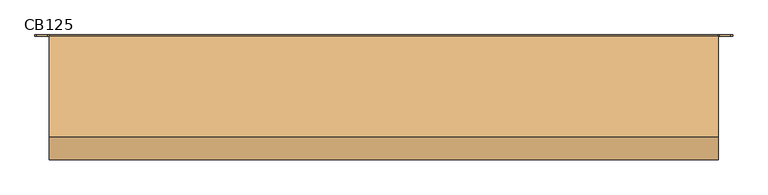
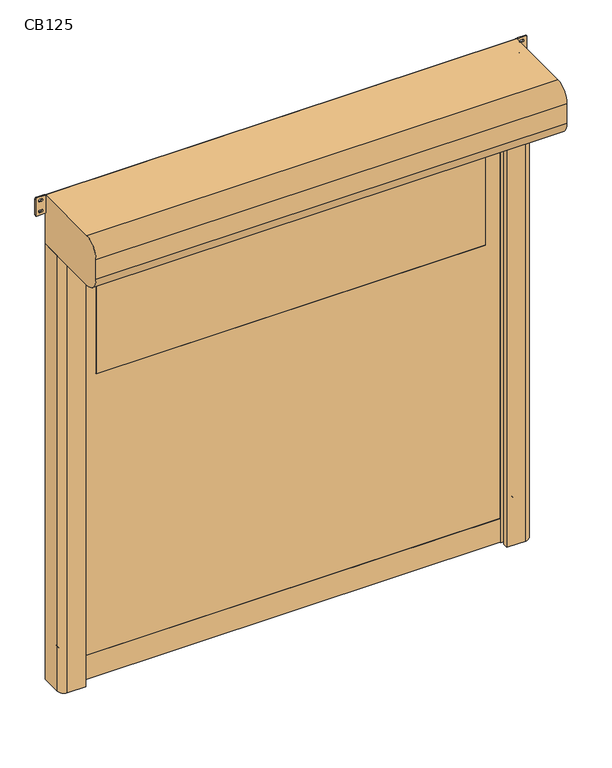
"""IFC4 building model written with IfcOpenShell, lengths in millimetres: door geometry, CB125."""

from ifc_helpers import new_model, si_unit, point, frame, frame_2d, origin, origin_with_axes, place, context, project, spatial, polyline, circle_curve, trimmed, segment, composite_curve, outline, extrude, source, transform, mapped, element, save


def cb125_eadb58d3(model_context):
    return source(origin(), model_context, "Body", "SweptSolid", [
        extrude(outline(composite_curve([segment(trimmed(circle_curve(frame_2d((1416.6666667, 1076.0)), 6.0), [point((1422.6666667, 1076.0))], [point((1410.6666667, 1076.0))], False, "CARTESIAN"), True, "CONTINUOUS"), segment(polyline([(1410.6666667, 1076.0), (1410.6666667, 1094.0)]), True, "CONTINUOUS"), segment(trimmed(circle_curve(frame_2d((1416.6666667, 1094.0)), 6.0), [point((1410.6666667, 1094.0))], [point((1422.6666667, 1094.0))], False, "CARTESIAN"), True, "CONTINUOUS"), segment(polyline([(1422.6666667, 1094.0), (1422.6666667, 1076.0)]), True, "CONTINUOUS")], self_intersect=False)), frame((0.0, -20.0, 0.0), z_axis=(0.0, 1.0, 0.0), x_axis=(0.0, 0.0, 1.0)), (0.0, 0.0, 1.0), 20.0),
        extrude(outline(composite_curve([segment(trimmed(circle_curve(frame_2d((783.3333333, 1076.0)), 6.0), [point((789.3333333, 1076.0))], [point((777.3333333, 1076.0))], False, "CARTESIAN"), True, "CONTINUOUS"), segment(polyline([(777.3333333, 1076.0), (777.3333333, 1094.0)]), True, "CONTINUOUS"), segment(trimmed(circle_curve(frame_2d((783.3333333, 1094.0)), 6.0), [point((777.3333333, 1094.0))], [point((789.3333333, 1094.0))], False, "CARTESIAN"), True, "CONTINUOUS"), segment(polyline([(789.3333333, 1094.0), (789.3333333, 1076.0)]), True, "CONTINUOUS")], self_intersect=False)), frame((0.0, -20.0, 0.0), z_axis=(0.0, 1.0, 0.0), x_axis=(0.0, 0.0, 1.0)), (0.0, 0.0, 1.0), 20.0),
        extrude(outline(composite_curve([segment(trimmed(circle_curve(frame_2d((2050.0, 1076.0)), 6.0), [point((2056.0, 1076.0))], [point((2044.0, 1076.0))], False, "CARTESIAN"), True, "CONTINUOUS"), segment(polyline([(2044.0, 1076.0), (2044.0, 1094.0)]), True, "CONTINUOUS"), segment(trimmed(circle_curve(frame_2d((2050.0, 1094.0)), 6.0), [point((2044.0, 1094.0))], [point((2056.0, 1094.0))], False, "CARTESIAN"), True, "CONTINUOUS"), segment(polyline([(2056.0, 1094.0), (2056.0, 1076.0)]), True, "CONTINUOUS")], self_intersect=False)), frame((0.0, -20.0, 0.0), z_axis=(0.0, 1.0, 0.0), x_axis=(0.0, 0.0, 1.0)), (0.0, 0.0, 1.0), 20.0),
        extrude(outline(composite_curve([segment(trimmed(circle_curve(frame_2d((150.0, 1076.0)), 6.0), [point((156.0, 1076.0))], [point((144.0, 1076.0))], False, "CARTESIAN"), True, "CONTINUOUS"), segment(polyline([(144.0, 1076.0), (144.0, 1094.0)]), True, "CONTINUOUS"), segment(trimmed(circle_curve(frame_2d((150.0, 1094.0)), 6.0), [point((144.0, 1094.0))], [point((156.0, 1094.0))], False, "CARTESIAN"), True, "CONTINUOUS"), segment(polyline([(156.0, 1094.0), (156.0, 1076.0)]), True, "CONTINUOUS")], self_intersect=False)), frame((0.0, -20.0, 0.0), z_axis=(0.0, 1.0, 0.0), x_axis=(0.0, 0.0, 1.0)), (0.0, 0.0, 1.0), 20.0),
        extrude(outline(composite_curve([segment(polyline([(1422.6666667, -1076.0), (1422.6666667, -1094.0)]), True, "CONTINUOUS"), segment(trimmed(circle_curve(frame_2d((1416.6666667, -1094.0)), 6.0), [point((1422.6666667, -1094.0))], [point((1410.6666667, -1094.0))], False, "CARTESIAN"), True, "CONTINUOUS"), segment(polyline([(1410.6666667, -1094.0), (1410.6666667, -1076.0)]), True, "CONTINUOUS"), segment(trimmed(circle_curve(frame_2d((1416.6666667, -1076.0)), 6.0), [point((1410.6666667, -1076.0))], [point((1422.6666667, -1076.0))], False, "CARTESIAN"), True, "CONTINUOUS")], self_intersect=False)), frame((0.0, -20.0, 0.0), z_axis=(0.0, 1.0, 0.0), x_axis=(0.0, 0.0, 1.0)), (0.0, 0.0, 1.0), 20.0),
        extrude(outline(composite_curve([segment(polyline([(789.3333333, -1076.0), (789.3333333, -1094.0)]), True, "CONTINUOUS"), segment(trimmed(circle_curve(frame_2d((783.3333333, -1094.0)), 6.0), [point((789.3333333, -1094.0))], [point((777.3333333, -1094.0))], False, "CARTESIAN"), True, "CONTINUOUS"), segment(polyline([(777.3333333, -1094.0), (777.3333333, -1076.0)]), True, "CONTINUOUS"), segment(trimmed(circle_curve(frame_2d((783.3333333, -1076.0)), 6.0), [point((777.3333333, -1076.0))], [point((789.3333333, -1076.0))], False, "CARTESIAN"), True, "CONTINUOUS")], self_intersect=False)), frame((0.0, -20.0, 0.0), z_axis=(0.0, 1.0, 0.0), x_axis=(0.0, 0.0, 1.0)), (0.0, 0.0, 1.0), 20.0),
        extrude(outline(composite_curve([segment(polyline([(2056.0, -1076.0), (2056.0, -1094.0)]), True, "CONTINUOUS"), segment(trimmed(circle_curve(frame_2d((2050.0, -1094.0)), 6.0), [point((2056.0, -1094.0))], [point((2044.0, -1094.0))], False, "CARTESIAN"), True, "CONTINUOUS"), segment(polyline([(2044.0, -1094.0), (2044.0, -1076.0)]), True, "CONTINUOUS"), segment(trimmed(circle_curve(frame_2d((2050.0, -1076.0)), 6.0), [point((2044.0, -1076.0))], [point((2056.0, -1076.0))], False, "CARTESIAN"), True, "CONTINUOUS")], self_intersect=False)), frame((0.0, -20.0, 0.0), z_axis=(0.0, 1.0, 0.0), x_axis=(0.0, 0.0, 1.0)), (0.0, 0.0, 1.0), 20.0),
        extrude(outline(composite_curve([segment(polyline([(156.0, -1076.0), (156.0, -1094.0)]), True, "CONTINUOUS"), segment(trimmed(circle_curve(frame_2d((150.0, -1094.0)), 6.0), [point((156.0, -1094.0))], [point((144.0, -1094.0))], False, "CARTESIAN"), True, "CONTINUOUS"), segment(polyline([(144.0, -1094.0), (144.0, -1076.0)]), True, "CONTINUOUS"), segment(trimmed(circle_curve(frame_2d((150.0, -1076.0)), 6.0), [point((144.0, -1076.0))], [point((156.0, -1076.0))], False, "CARTESIAN"), True, "CONTINUOUS")], self_intersect=False)), frame((0.0, -20.0, 0.0), z_axis=(0.0, 1.0, 0.0), x_axis=(0.0, 0.0, 1.0)), (0.0, 0.0, 1.0), 20.0),
        extrude(outline(composite_curve([segment(trimmed(circle_curve(frame_2d((1526.0, 929.0)), 1.0), [point((1525.0, 929.0))], [point((1526.0, 930.0))], False, "CARTESIAN"), True, "CONTINUOUS"), segment(polyline([(1526.0, 930.0), (2024.0, 930.0)]), True, "CONTINUOUS"), segment(trimmed(circle_curve(frame_2d((2024.0, 929.0)), 1.0), [point((2024.0, 930.0))], [point((2025.0, 929.0))], False, "CARTESIAN"), True, "CONTINUOUS"), segment(polyline([(2025.0, 929.0), (2025.0, -929.0)]), True, "CONTINUOUS"), segment(trimmed(circle_curve(frame_2d((2024.0, -929.0)), 1.0), [point((2025.0, -929.0))], [point((2024.0, -930.0))], False, "CARTESIAN"), True, "CONTINUOUS"), segment(polyline([(2024.0, -930.0), (1526.0, -930.0)]), True, "CONTINUOUS"), segment(trimmed(circle_curve(frame_2d((1526.0, -929.0)), 1.0), [point((1526.0, -930.0))], [point((1525.0, -929.0))], False, "CARTESIAN"), True, "CONTINUOUS"), segment(polyline([(1525.0, -929.0), (1525.0, 929.0)]), True, "CONTINUOUS")], self_intersect=False)), frame((0.0, -83.5, 0.0), z_axis=(0.0, 1.0, 0.0), x_axis=(0.0, 0.0, 1.0)), (0.0, 0.0, 1.0), 7.0),
        extrude(outline(polyline([(120.0, -1012.0), (120.0, 1012.0), (2325.0, 1012.0), (2325.0, -1012.0), (120.0, -1012.0)]), holes=[composite_curve([segment(trimmed(circle_curve(frame_2d((1526.0, 929.0)), 1.0), [point((1526.0, 930.0))], [point((1525.0, 929.0))], True, "CARTESIAN"), True, "CONTINUOUS"), segment(polyline([(1525.0, 929.0), (1525.0, -929.0)]), True, "CONTINUOUS"), segment(trimmed(circle_curve(frame_2d((1526.0, -929.0)), 1.0), [point((1525.0, -929.0))], [point((1526.0, -930.0))], True, "CARTESIAN"), True, "CONTINUOUS"), segment(polyline([(1526.0, -930.0), (2024.0, -930.0)]), True, "CONTINUOUS"), segment(trimmed(circle_curve(frame_2d((2024.0, -929.0)), 1.0), [point((2024.0, -930.0))], [point((2025.0, -929.0))], True, "CARTESIAN"), True, "CONTINUOUS"), segment(polyline([(2025.0, -929.0), (2025.0, 929.0)]), True, "CONTINUOUS"), segment(trimmed(circle_curve(frame_2d((2024.0, 929.0)), 1.0), [point((2025.0, 929.0))], [point((2024.0, 930.0))], True, "CARTESIAN"), True, "CONTINUOUS"), segment(polyline([(2024.0, 930.0), (1526.0, 930.0)]), True, "CONTINUOUS")], self_intersect=False)]), frame((0.0, -83.5, 0.0), z_axis=(0.0, 1.0, 0.0), x_axis=(0.0, 0.0, 1.0)), (0.0, 0.0, 1.0), 7.0),
        extrude(outline(polyline([(-1012.0, -74.5), (1012.0, -74.5), (1012.0, -85.5), (-1012.0, -85.5), (-1012.0, -74.5)])), origin_with_axes(), (0.0, 0.0, 1.0), 120.0),
        extrude(outline(composite_curve([segment(trimmed(circle_curve(frame_2d((2363.75, 1130.75)), 5.75), [point((2363.75, 1125.0))], [point((2358.0, 1130.75))], False, "CARTESIAN"), True, "CONTINUOUS"), segment(polyline([(2358.0, 1130.75), (2358.0, 1168.25)]), True, "CONTINUOUS"), segment(trimmed(circle_curve(frame_2d((2363.75, 1168.25)), 5.75), [point((2358.0, 1168.25))], [point((2363.75, 1174.0))], False, "CARTESIAN"), True, "CONTINUOUS"), segment(polyline([(2363.75, 1174.0), (2444.25, 1174.0)]), True, "CONTINUOUS"), segment(trimmed(circle_curve(frame_2d((2444.25, 1168.25)), 5.75), [point((2444.25, 1174.0))], [point((2450.0, 1168.25))], False, "CARTESIAN"), True, "CONTINUOUS"), segment(polyline([(2450.0, 1168.25), (2450.0, 1130.75)]), True, "CONTINUOUS"), segment(trimmed(circle_curve(frame_2d((2444.25, 1130.75)), 5.75), [point((2450.0, 1130.75))], [point((2444.25, 1125.0))], False, "CARTESIAN"), True, "CONTINUOUS"), segment(polyline([(2444.25, 1125.0), (2363.75, 1125.0)]), True, "CONTINUOUS")], self_intersect=False), holes=[composite_curve([segment(trimmed(circle_curve(frame_2d((2431.5, 1153.75)), 5.75), [point((2437.25, 1153.75))], [point((2425.75, 1153.75))], True, "CARTESIAN"), True, "CONTINUOUS"), segment(polyline([(2425.75, 1153.75), (2425.75, 1145.25)]), True, "CONTINUOUS"), segment(trimmed(circle_curve(frame_2d((2431.5, 1145.25)), 5.75), [point((2425.75, 1145.25))], [point((2437.25, 1145.25))], True, "CARTESIAN"), True, "CONTINUOUS"), segment(polyline([(2437.25, 1145.25), (2437.25, 1153.75)]), True, "CONTINUOUS")], self_intersect=False), composite_curve([segment(trimmed(circle_curve(frame_2d((2376.5, 1153.75)), 5.75), [point((2382.25, 1153.75))], [point((2370.75, 1153.75))], True, "CARTESIAN"), True, "CONTINUOUS"), segment(polyline([(2370.75, 1153.75), (2370.75, 1145.25)]), True, "CONTINUOUS"), segment(trimmed(circle_curve(frame_2d((2376.5, 1145.25)), 5.75), [point((2370.75, 1145.25))], [point((2382.25, 1145.25))], True, "CARTESIAN"), True, "CONTINUOUS"), segment(polyline([(2382.25, 1145.25), (2382.25, 1153.75)]), True, "CONTINUOUS")], self_intersect=False)]), frame((0.0, -5.0, 0.0), z_axis=(0.0, 1.0, 0.0), x_axis=(0.0, 0.0, 1.0)), (0.0, 0.0, 1.0), 5.0),
        extrude(outline(composite_curve([segment(trimmed(circle_curve(frame_2d((2363.75, -1168.25)), 5.75), [point((2363.75, -1174.0))], [point((2358.0, -1168.25))], False, "CARTESIAN"), True, "CONTINUOUS"), segment(polyline([(2358.0, -1168.25), (2358.0, -1130.75)]), True, "CONTINUOUS"), segment(trimmed(circle_curve(frame_2d((2363.75, -1130.75)), 5.75), [point((2358.0, -1130.75))], [point((2363.75, -1125.0))], False, "CARTESIAN"), True, "CONTINUOUS"), segment(polyline([(2363.75, -1125.0), (2444.25, -1125.0)]), True, "CONTINUOUS"), segment(trimmed(circle_curve(frame_2d((2444.25, -1130.75)), 5.75), [point((2444.25, -1125.0))], [point((2450.0, -1130.75))], False, "CARTESIAN"), True, "CONTINUOUS"), segment(polyline([(2450.0, -1130.75), (2450.0, -1168.25)]), True, "CONTINUOUS"), segment(trimmed(circle_curve(frame_2d((2444.25, -1168.25)), 5.75), [point((2450.0, -1168.25))], [point((2444.25, -1174.0))], False, "CARTESIAN"), True, "CONTINUOUS"), segment(polyline([(2444.25, -1174.0), (2363.75, -1174.0)]), True, "CONTINUOUS")], self_intersect=False), holes=[composite_curve([segment(trimmed(circle_curve(frame_2d((2431.5, -1145.25)), 5.75), [point((2437.25, -1145.25))], [point((2425.75, -1145.25))], True, "CARTESIAN"), True, "CONTINUOUS"), segment(polyline([(2425.75, -1145.25), (2425.75, -1153.75)]), True, "CONTINUOUS"), segment(trimmed(circle_curve(frame_2d((2431.5, -1153.75)), 5.75), [point((2425.75, -1153.75))], [point((2437.25, -1153.75))], True, "CARTESIAN"), True, "CONTINUOUS"), segment(polyline([(2437.25, -1153.75), (2437.25, -1145.25)]), True, "CONTINUOUS")], self_intersect=False), composite_curve([segment(trimmed(circle_curve(frame_2d((2376.5, -1145.25)), 5.75), [point((2382.25, -1145.25))], [point((2370.75, -1145.25))], True, "CARTESIAN"), True, "CONTINUOUS"), segment(polyline([(2370.75, -1145.25), (2370.75, -1153.75)]), True, "CONTINUOUS"), segment(trimmed(circle_curve(frame_2d((2376.5, -1153.75)), 5.75), [point((2370.75, -1153.75))], [point((2382.25, -1153.75))], True, "CARTESIAN"), True, "CONTINUOUS"), segment(polyline([(2382.25, -1153.75), (2382.25, -1145.25)]), True, "CONTINUOUS")], self_intersect=False)]), frame((0.0, -5.0, 0.0), z_axis=(0.0, 1.0, 0.0), x_axis=(0.0, 0.0, 1.0)), (0.0, 0.0, 1.0), 5.0),
        extrude(outline(composite_curve([segment(polyline([(-1125.0, 0.0), (-1015.0, 0.0), (-1015.0, -64.2857143), (-1035.0, -70.0), (-1000.0, -70.0), (-1000.0, -76.5), (-1020.0, -76.5), (-1020.0, -83.5), (-1000.0, -83.5), (-1000.0, -90.0), (-1035.0, -90.0), (-1035.0, -105.0), (-1005.0, -105.0), (-1005.0, -130.0), (-1095.0, -130.0)]), True, "CONTINUOUS"), segment(trimmed(circle_curve(frame_2d((-1095.0, -100.0)), 30.0), [point((-1095.0, -130.0))], [point((-1125.0, -100.0))], False, "CARTESIAN"), True, "CONTINUOUS"), segment(polyline([(-1125.0, -100.0), (-1125.0, 0.0)]), True, "CONTINUOUS")], self_intersect=False)), origin_with_axes(), (0.0, 0.0, 1.0), 2200.0),
        extrude(outline(composite_curve([segment(polyline([(1125.0, 0.0), (1125.0, -100.0)]), True, "CONTINUOUS"), segment(trimmed(circle_curve(frame_2d((1095.0, -100.0)), 30.0), [point((1125.0, -100.0))], [point((1095.0, -130.0))], False, "CARTESIAN"), True, "CONTINUOUS"), segment(polyline([(1095.0, -130.0), (1005.0, -130.0), (1005.0, -105.0), (1035.0, -105.0), (1035.0, -90.0), (1000.0, -90.0), (1000.0, -83.5), (1020.0, -83.5), (1020.0, -76.5), (1000.0, -76.5), (1000.0, -70.0), (1035.0, -70.0), (1015.0, -64.2857143), (1015.0, 0.0), (1125.0, 0.0)]), True, "CONTINUOUS")], self_intersect=False)), origin_with_axes(), (0.0, 0.0, 1.0), 2200.0),
        extrude(outline(composite_curve([segment(trimmed(circle_curve(frame_2d((-5.0, 2205.0)), 5.0), [point((0.0, 2205.0))], [point((-5.0, 2200.0))], False, "CARTESIAN"), True, "CONTINUOUS"), segment(polyline([(-5.0, 2200.0), (-345.0, 2200.0)]), True, "CONTINUOUS"), segment(trimmed(circle_curve(frame_2d((-345.0, 2275.0)), 75.0), [point((-345.0, 2200.0))], [point((-420.0, 2275.0))], False, "CARTESIAN"), True, "CONTINUOUS"), segment(polyline([(-420.0, 2275.0), (-420.0, 2375.0)]), True, "CONTINUOUS"), segment(trimmed(circle_curve(frame_2d((-345.0, 2375.0)), 75.0), [point((-420.0, 2375.0))], [point((-345.0, 2450.0))], False, "CARTESIAN"), True, "CONTINUOUS"), segment(polyline([(-345.0, 2450.0), (-5.0, 2450.0)]), True, "CONTINUOUS"), segment(trimmed(circle_curve(frame_2d((-5.0, 2445.0)), 5.0), [point((-5.0, 2450.0))], [point((0.0, 2445.0))], False, "CARTESIAN"), True, "CONTINUOUS"), segment(polyline([(0.0, 2445.0), (0.0, 2205.0)]), True, "CONTINUOUS")], self_intersect=False)), frame((-1125.0, 0.0, 0.0), z_axis=(1.0, 0.0, 0.0), x_axis=(0.0, 1.0, 0.0)), (0.0, 0.0, 1.0), 2250.0),
    ])


if __name__ == "__main__":
    model = new_model("IFC4")
    model_context = context("Model", 3, world=origin())
    ifc_project = project(units=[si_unit("LENGTHUNIT", "METRE", prefix="MILLI")], contexts=[model_context])
    site = spatial("IfcSite", under=ifc_project)
    building = spatial("IfcBuilding", under=site)
    placement = place(None, origin())
    cb125_shape = cb125_eadb58d3(model_context)
    element("IfcDoor", 1, ObjectType="CB125", at=placement, inside=building, context=model_context, shape_type="MappedRepresentation", body=[
        mapped(cb125_shape, transform((0.0, 0.0, 0.0), x_axis=(1.0, 0.0, 0.0), y_axis=(0.0, 1.0, 0.0), z_axis=(0.0, 0.0, 1.0))),
    ])
    save(model, "model.ifc")
